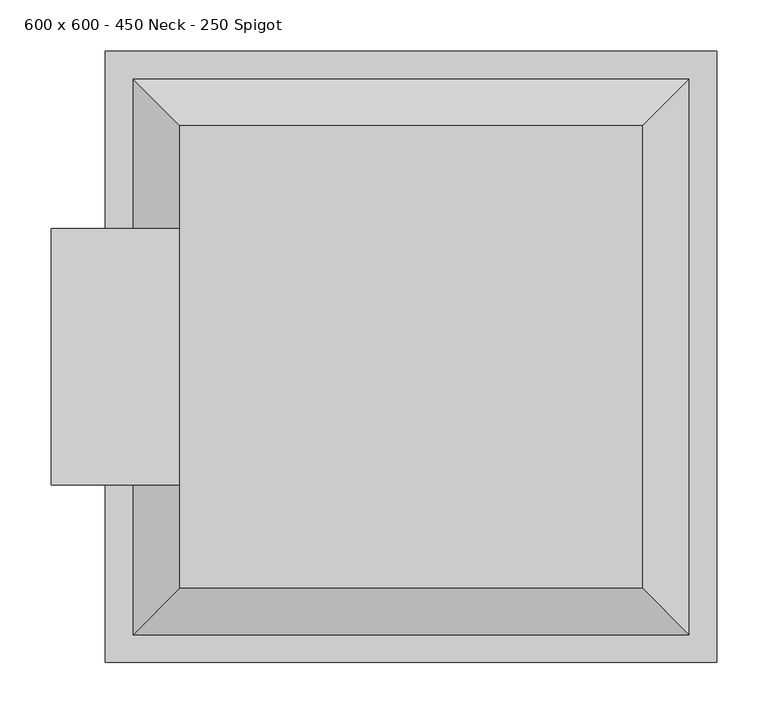
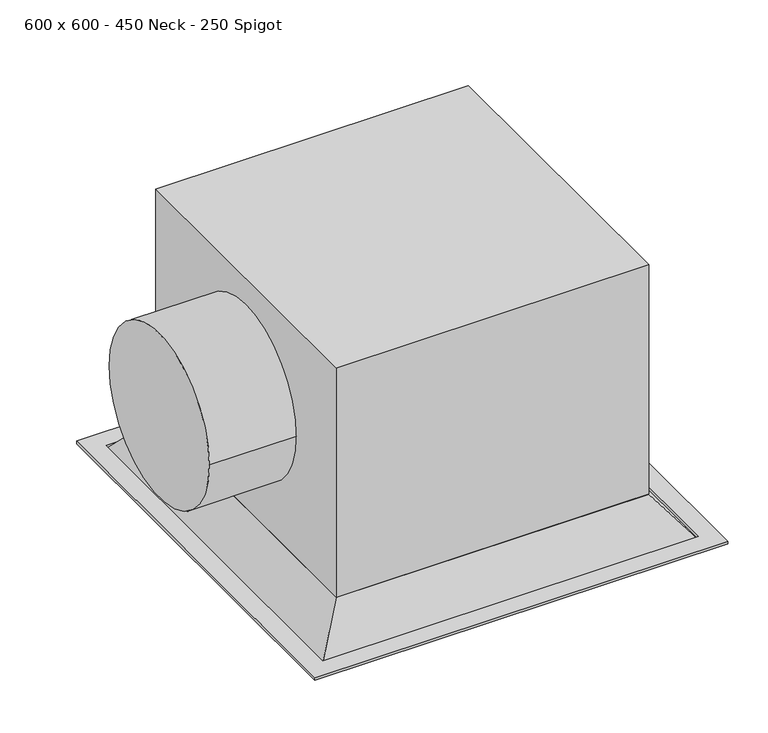
"""IFC4 building model written with IfcOpenShell, lengths in millimetres: air terminal geometry, 600 x 600 - 450 Neck - 250 Spigot."""

from ifc_helpers import new_model, si_unit, point, frame, frame_2d, origin, origin_with_axes, place, context, project, spatial, polyline, circle_curve, trimmed, segment, composite_curve, outline, extrude, faceted_brep, source, transform, mapped, element, save


def air_terminal_600_x_600_450_neck_250_spigot_d4b221f8(model_context):
    return source(origin(), model_context, "Body", "SolidModel", [
        extrude(outline(composite_curve([segment(trimmed(circle_curve(frame_2d((0.0, 242.0)), 125.0), [point((-125.0, 242.0))], [point((125.0, 242.0))], False, "CARTESIAN"), True, "CONTINUOUS"), segment(trimmed(circle_curve(frame_2d((0.0, 242.0)), 125.0), [point((125.0, 242.0))], [point((-125.0, 242.0))], False, "CARTESIAN"), True, "CONTINUOUS")], self_intersect=False)), frame((-350.0, 0.0, 0.0), z_axis=(1.0, 0.0, 0.0), x_axis=(0.0, 1.0, 0.0)), (0.0, 0.0, 1.0), 125.0),
        extrude(outline(polyline([(297.5, 297.5), (297.5, -297.5), (-297.5, -297.5), (-297.5, 297.5), (297.5, 297.5)]), holes=[polyline([(270.5, 270.5), (-270.5, 270.5), (-270.5, -270.5), (270.5, -270.5), (270.5, 270.5)])]), origin_with_axes(), (0.0, 0.0, 1.0), 4.0),
        faceted_brep([(225.0, 225.0, 57.0), (-225.0, 225.0, 57.0), (-225.0, -225.0, 57.0), (225.0, -225.0, 57.0), (270.5, 270.5, 0.0), (270.5, -270.5, 0.0), (-270.5, -270.5, 0.0), (-270.5, 270.5, 0.0)], [[[0, 1, 2, 3]], [[4, 5, 6, 7]], [[4, 7, 1, 0]], [[7, 6, 2, 1]], [[6, 5, 3, 2]], [[5, 4, 0, 3]]]),
        extrude(outline(polyline([(225.0, 225.0), (225.0, -225.0), (-225.0, -225.0), (-225.0, 225.0), (225.0, 225.0)])), frame((0.0, 0.0, 57.0), z_axis=(0.0, 0.0, 1.0), x_axis=(1.0, 0.0, 0.0)), (0.0, 0.0, 1.0), 350.0),
    ])


if __name__ == "__main__":
    model = new_model("IFC4")
    model_context = context("Model", 3, world=origin())
    ifc_project = project(units=[si_unit("LENGTHUNIT", "METRE", prefix="MILLI")], contexts=[model_context])
    site = spatial("IfcSite", under=ifc_project)
    building = spatial("IfcBuilding", under=site)
    placement = place(None, origin())
    air_terminal_600_x_600_450_neck_250_spigot_shape = air_terminal_600_x_600_450_neck_250_spigot_d4b221f8(model_context)
    element("IfcAirTerminal", 1, ObjectType="600 x 600 - 450 Neck - 250 Spigot", at=placement, inside=building, context=model_context, shape_type="MappedRepresentation", body=[
        mapped(air_terminal_600_x_600_450_neck_250_spigot_shape, transform((0.0, 0.0, 0.0), x_axis=(1.0, 0.0, 0.0), y_axis=(0.0, 1.0, 0.0), z_axis=(0.0, 0.0, 1.0))),
    ])
    save(model, "model.ifc")
